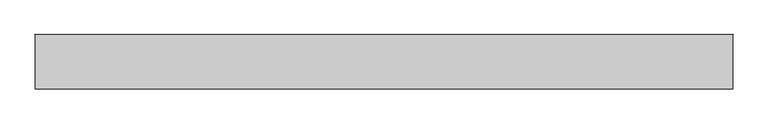
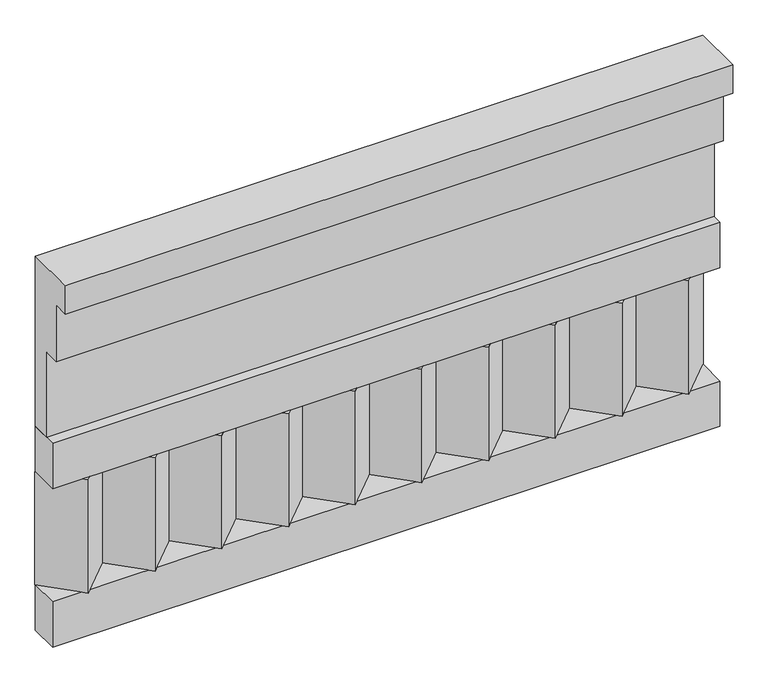
"""IFC4 building model written with IfcOpenShell, lengths in millimetres: railing geometry."""

from ifc_helpers import new_model, si_unit, frame, origin, place, context, project, spatial, polyline, outline, extrude, source, transform, mapped, element, save


def railing_547ecaa5(model_context):
    return source(origin(), model_context, "Body", "SweptSolid", [
        extrude(outline(polyline([(-16816.8920513, 21800.0), (-16816.8920513, 21350.0), (-16866.8920513, 21350.0), (-16866.8920513, 21575.0), (-16906.8920513, 21575.0), (-16906.8920513, 21725.0), (-16946.8920513, 21725.0), (-16946.8920513, 21800.0), (-16816.8920513, 21800.0)])), frame((-26239.9887159, 0.0, 0.0), z_axis=(1.0, 0.0, 0.0), x_axis=(0.0, 1.0, 0.0)), (0.0, 0.0, 1.0), 1670.0),
        extrude(outline(polyline([(-26239.9887159, -16891.8920513), (-26239.9887159, -16816.8920513), (-24569.9887159, -16816.8920513), (-24569.9887159, -16891.8920513), (-26239.9887159, -16891.8920513)])), frame((0.0, 0.0, 21230.0), z_axis=(0.0, 0.0, 1.0), x_axis=(1.0, 0.0, 0.0)), (0.0, 0.0, 1.0), 120.0),
        extrude(outline(polyline([(-26239.9887159, -16891.8920513), (-26239.9887159, -16816.8920513), (-24569.9887159, -16816.8920513), (-24569.9887159, -16891.8920513), (-26239.9887159, -16891.8920513)])), frame((0.0, 0.0, 20810.0), z_axis=(0.0, 0.0, 1.0), x_axis=(1.0, 0.0, 0.0)), (0.0, 0.0, 1.0), 120.0),
        extrude(outline(polyline([(-24653.4887159, -16901.7448651), (-24738.3415296, -16816.8920513), (-24568.6359022, -16816.8920513), (-24653.4887159, -16901.7448651)])), frame((0.0, 0.0, 20930.0), z_axis=(0.0, 0.0, 1.0), x_axis=(1.0, 0.0, 0.0)), (0.0, 0.0, 1.0), 300.0),
        extrude(outline(polyline([(-24820.4887159, -16901.7448651), (-24905.3415296, -16816.8920513), (-24735.6359022, -16816.8920513), (-24820.4887159, -16901.7448651)])), frame((0.0, 0.0, 20930.0), z_axis=(0.0, 0.0, 1.0), x_axis=(1.0, 0.0, 0.0)), (0.0, 0.0, 1.0), 300.0),
        extrude(outline(polyline([(-24987.4887159, -16901.7448651), (-25072.3415296, -16816.8920513), (-24902.6359022, -16816.8920513), (-24987.4887159, -16901.7448651)])), frame((0.0, 0.0, 20930.0), z_axis=(0.0, 0.0, 1.0), x_axis=(1.0, 0.0, 0.0)), (0.0, 0.0, 1.0), 300.0),
        extrude(outline(polyline([(-25154.4887159, -16901.7448651), (-25239.3415296, -16816.8920513), (-25069.6359022, -16816.8920513), (-25154.4887159, -16901.7448651)])), frame((0.0, 0.0, 20930.0), z_axis=(0.0, 0.0, 1.0), x_axis=(1.0, 0.0, 0.0)), (0.0, 0.0, 1.0), 300.0),
        extrude(outline(polyline([(-25321.4887159, -16901.7448651), (-25406.3415296, -16816.8920513), (-25236.6359022, -16816.8920513), (-25321.4887159, -16901.7448651)])), frame((0.0, 0.0, 20930.0), z_axis=(0.0, 0.0, 1.0), x_axis=(1.0, 0.0, 0.0)), (0.0, 0.0, 1.0), 300.0),
        extrude(outline(polyline([(-25488.4887159, -16901.7448651), (-25573.3415296, -16816.8920513), (-25403.6359022, -16816.8920513), (-25488.4887159, -16901.7448651)])), frame((0.0, 0.0, 20930.0), z_axis=(0.0, 0.0, 1.0), x_axis=(1.0, 0.0, 0.0)), (0.0, 0.0, 1.0), 300.0),
        extrude(outline(polyline([(-25655.4887159, -16901.7448651), (-25740.3415296, -16816.8920513), (-25570.6359022, -16816.8920513), (-25655.4887159, -16901.7448651)])), frame((0.0, 0.0, 20930.0), z_axis=(0.0, 0.0, 1.0), x_axis=(1.0, 0.0, 0.0)), (0.0, 0.0, 1.0), 300.0),
        extrude(outline(polyline([(-25822.4887159, -16901.7448651), (-25907.3415296, -16816.8920513), (-25737.6359022, -16816.8920513), (-25822.4887159, -16901.7448651)])), frame((0.0, 0.0, 20930.0), z_axis=(0.0, 0.0, 1.0), x_axis=(1.0, 0.0, 0.0)), (0.0, 0.0, 1.0), 300.0),
        extrude(outline(polyline([(-25989.4887159, -16901.7448651), (-26074.3415296, -16816.8920513), (-25904.6359022, -16816.8920513), (-25989.4887159, -16901.7448651)])), frame((0.0, 0.0, 20930.0), z_axis=(0.0, 0.0, 1.0), x_axis=(1.0, 0.0, 0.0)), (0.0, 0.0, 1.0), 300.0),
        extrude(outline(polyline([(-26156.4887159, -16901.7448651), (-26241.3415296, -16816.8920513), (-26071.6359022, -16816.8920513), (-26156.4887159, -16901.7448651)])), frame((0.0, 0.0, 20930.0), z_axis=(0.0, 0.0, 1.0), x_axis=(1.0, 0.0, 0.0)), (0.0, 0.0, 1.0), 300.0),
    ])


if __name__ == "__main__":
    model = new_model("IFC4")
    model_context = context("Model", 3, world=origin())
    ifc_project = project(units=[si_unit("LENGTHUNIT", "METRE", prefix="MILLI")], contexts=[model_context])
    site = spatial("IfcSite", under=ifc_project)
    building = spatial("IfcBuilding", under=site)
    placement = place(None, origin())
    railing_shape = railing_547ecaa5(model_context)
    element("IfcRailing", 1, at=placement, inside=building, context=model_context, shape_type="MappedRepresentation", body=[
        mapped(railing_shape, transform((0.0, 0.0, 0.0), x_axis=(1.0, 0.0, 0.0), y_axis=(0.0, 1.0, 0.0), z_axis=(0.0, 0.0, 1.0))),
    ])
    save(model, "model.ifc")
